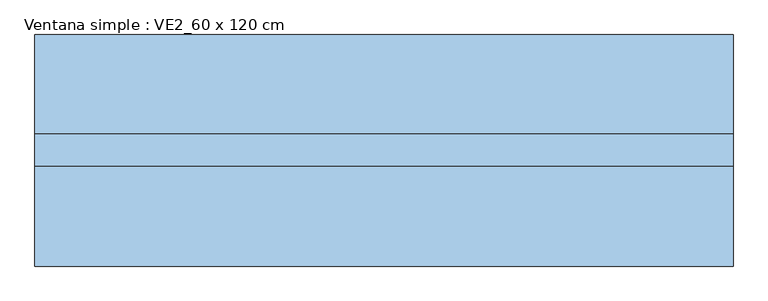
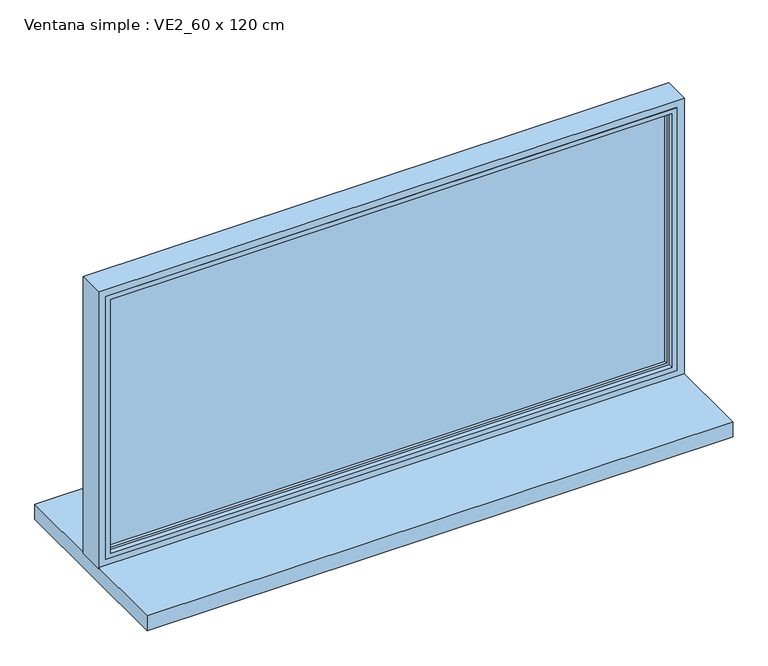
"""IFC4 building model written with IfcOpenShell, lengths in millimetres: window geometry, Ventana simple : VE2_60 x 120 cm."""

from ifc_helpers import new_model, si_unit, frame, origin, place, context, project, spatial, polyline, ellipse_curve, outline, extrude, faceted_brep, source, transform, mapped, element, save
from ifc_brep_helpers import plane_surface, cylinder_surface, advanced_brep


def ventana_simple_ve2_60_x_120_cm_a0974ed6(model_context):
    return source(origin(), model_context, "Body", "SolidModel", [
        extrude(outline(polyline([(570.0, -3.0), (-570.0, -3.0), (-570.0, 9.8627388), (570.0, 9.8627388), (570.0, -3.0)])), frame((0.0, 0.0, 930.0), z_axis=(0.0, 0.0, 1.0), x_axis=(1.0, 0.0, 0.0)), (0.0, 0.0, 1.0), 540.0),
        faceted_brep([(-585.0, -20.0, 1485.0), (-585.0, 20.0, 1485.0), (-585.0, 20.0, 915.0), (-585.0, -20.0, 915.0), (585.0, 20.0, 1485.0), (585.0, 20.0, 915.0), (-570.0, 20.0, 1470.0), (-570.0, 20.0, 930.0), (570.0, 20.0, 930.0), (570.0, 20.0, 1470.0), (585.0, -20.0, 915.0), (585.0, -20.0, 1485.0), (575.0, -20.0, 1475.0), (575.0, -20.0, 925.0), (-575.0, -20.0, 925.0), (-575.0, -20.0, 1475.0), (-575.0, -10.0, 1475.0), (-575.0, -10.0, 925.0), (575.0, -10.0, 925.0), (575.0, -10.0, 1475.0), (570.0, -10.0, 1470.0), (570.0, -10.0, 930.0), (-570.0, -10.0, 930.0), (-570.0, -10.0, 1470.0)], [[[0, 1, 2, 3]], [[4, 5, 2, 1], [6, 7, 8, 9]], [[3, 2, 5, 10]], [[0, 3, 10, 11], [12, 13, 14, 15]], [[16, 15, 14, 17]], [[17, 14, 13, 18]], [[16, 17, 18, 19], [20, 21, 22, 23]], [[6, 23, 22, 7]], [[7, 22, 21, 8]], [[10, 5, 4, 11]], [[18, 13, 12, 19]], [[8, 21, 20, 9]], [[11, 4, 1, 0]], [[19, 12, 15, 16]], [[9, 20, 23, 6]]]),
        advanced_brep(
        [(-600.0, 35.0, 1500.0), (-600.0, 35.0, 900.0), (-600.0, -20.0, 900.0), (-600.0, -20.0, 1500.0), (600.0, 35.0, 1500.0), (600.0, 35.0, 900.0), (-580.0, 35.0, 920.0), (580.0, 35.0, 920.0), (580.0, 35.0, 1480.0), (-580.0, 35.0, 1480.0), (600.0, -20.0, 900.0), (600.0, -20.0, 1500.0), (-585.0, -20.0, 1485.0), (585.0, -20.0, 1485.0), (585.0, -20.0, 915.0), (-585.0, -20.0, 915.0), (-585.0, 20.0, 1485.0), (-585.0, 20.0, 915.0), (585.0, 20.0, 915.0), (585.0, 20.0, 1485.0), (-575.0, 20.0, 1475.0), (575.0, 20.0, 1475.0), (575.0, 20.0, 925.0), (-575.0, 20.0, 925.0), (-575.0, 30.0, 1475.0), (-575.0, 30.0, 925.0), (575.0, 30.0, 925.0), (575.0, 30.0, 1475.0)],
        [
            (0, 1),
            (1, 2),
            (2, 3),
            (3, 0),
            (0, 4),
            (4, 5),
            (5, 1),
            (6, 7),
            (7, 8),
            (8, 9),
            (9, 6),
            (5, 10),
            (10, 2),
            (10, 11),
            (11, 3),
            (12, 13),
            (13, 14),
            (14, 15),
            (15, 12),
            (16, 12),
            (15, 17),
            (17, 16),
            (14, 18),
            (18, 17),
            (18, 19),
            (19, 16),
            (20, 21),
            (21, 22),
            (22, 23),
            (23, 20),
            (24, 20),
            (23, 25),
            (25, 24),
            (22, 26),
            (26, 25),
            (9, 24, ellipse_curve(frame((-580.0, 30.0, 1480.0), z_axis=(-0.7071067811865475, 0.0, -0.7071067811865475), x_axis=(-0.7071067811865474, 0.0, 0.7071067811865476)), 7.0710678, 5.0)),
            (25, 6, ellipse_curve(frame((-580.0, 30.0, 920.0), z_axis=(-0.7071067811865475, 0.0, 0.7071067811865475), x_axis=(0.7071067811865474, 0.0, 0.7071067811865476)), 7.0710678, 5.0)),
            (26, 7, ellipse_curve(frame((580.0, 30.0, 920.0), z_axis=(-0.7071067811865475, 0.0, -0.7071067811865475), x_axis=(-0.7071067811865476, 0.0, 0.7071067811865474)), 7.0710678, 5.0)),
            (4, 11),
            (13, 19),
            (21, 27),
            (27, 26),
            (27, 8, ellipse_curve(frame((580.0, 30.0, 1480.0), z_axis=(0.7071067811865475, 0.0, -0.7071067811865475), x_axis=(-0.7071067811865474, 0.0, -0.7071067811865476)), 7.0710678, 5.0)),
            (24, 27),
        ],
        [
            plane_surface(frame((-600.0, 0.0, 1500.0), z_axis=(-1.0, 0.0, 0.0), x_axis=(0.0, 0.0, -1.0))),
            plane_surface(frame((580.0, 35.0, 1480.0), z_axis=(0.0, 1.0, 0.0), x_axis=(-1.0, 0.0, 0.0))),
            plane_surface(frame((-600.0, 0.0, 900.0), z_axis=(0.0, 0.0, -1.0), x_axis=(1.0, 0.0, 0.0))),
            plane_surface(frame((600.0, -20.0, 1500.0), z_axis=(0.0, -1.0, 0.0), x_axis=(-1.0, 0.0, 0.0))),
            plane_surface(frame((-585.0, -20.0, 1485.0), z_axis=(1.0, 0.0, 0.0), x_axis=(0.0, 0.0, -1.0))),
            plane_surface(frame((-585.0, -20.0, 915.0), z_axis=(0.0, 0.0, 1.0), x_axis=(1.0, 0.0, 0.0))),
            plane_surface(frame((585.0, 20.0, 1485.0), z_axis=(0.0, -1.0, 0.0), x_axis=(-1.0, 0.0, 0.0))),
            plane_surface(frame((-575.0, 20.0, 1475.0), z_axis=(1.0, 0.0, 0.0), x_axis=(0.0, 0.0, -1.0))),
            plane_surface(frame((-575.0, 20.0, 925.0), z_axis=(0.0, 0.0, 1.0), x_axis=(1.0, 0.0, 0.0))),
            cylinder_surface(frame((-580.0, 30.0, 1500.0), z_axis=(0.0, 0.0, 1.0), x_axis=(1.0, 0.0, 0.0)), 5.0),
            cylinder_surface(frame((-600.0, 30.0, 920.0), z_axis=(-1.0, 0.0, 0.0), x_axis=(0.0, 0.0, 1.0)), 5.0),
            plane_surface(frame((600.0, 0.0, 900.0), z_axis=(1.0, 0.0, 0.0), x_axis=(0.0, 0.0, 1.0))),
            plane_surface(frame((585.0, -20.0, 915.0), z_axis=(-1.0, 0.0, 0.0), x_axis=(0.0, 0.0, 1.0))),
            plane_surface(frame((575.0, 20.0, 925.0), z_axis=(-1.0, 0.0, 0.0), x_axis=(0.0, 0.0, 1.0))),
            cylinder_surface(frame((580.0, 30.0, 900.0), z_axis=(0.0, 0.0, -1.0), x_axis=(-1.0, 0.0, 0.0)), 5.0),
            plane_surface(frame((600.0, 0.0, 1500.0), z_axis=(0.0, 0.0, 1.0), x_axis=(-1.0, 0.0, 0.0))),
            plane_surface(frame((585.0, -20.0, 1485.0), z_axis=(0.0, 0.0, -1.0), x_axis=(-1.0, 0.0, 0.0))),
            plane_surface(frame((575.0, 20.0, 1475.0), z_axis=(0.0, 0.0, -1.0), x_axis=(-1.0, 0.0, 0.0))),
            cylinder_surface(frame((600.0, 30.0, 1480.0), z_axis=(1.0, 0.0, 0.0), x_axis=(0.0, 0.0, -1.0)), 5.0),
        ],
        [
            (0, [[1, 2, 3, 4]]),
            (1, [[5, 6, 7, -1], [8, 9, 10, 11]]),
            (2, [[-2, -7, 12, 13]]),
            (3, [[-13, 14, 15, -3], [16, 17, 18, 19]]),
            (4, [[20, -19, 21, 22]]),
            (5, [[-21, -18, 23, 24]]),
            (6, [[-24, 25, 26, -22], [27, 28, 29, 30]]),
            (7, [[31, -30, 32, 33]]),
            (8, [[-32, -29, 34, 35]]),
            (9, [[36, -33, 37, -11]]),
            (10, [[-37, -35, 38, -8]]),
            (11, [[-12, -6, 39, -14]]),
            (12, [[-23, -17, 40, -25]]),
            (13, [[-34, -28, 41, 42]]),
            (14, [[-38, -42, 43, -9]]),
            (15, [[-39, -5, -4, -15]]),
            (16, [[-40, -16, -20, -26]]),
            (17, [[-41, -27, -31, 44]]),
            (18, [[-43, -44, -36, -10]]),
        ],
    ),
        extrude(outline(polyline([(600.0, -192.1372612), (-600.0, -192.1372612), (-600.0, 205.8627388), (600.0, 205.8627388), (600.0, -192.1372612)])), frame((0.0, 0.0, 870.0), z_axis=(0.0, 0.0, 1.0), x_axis=(1.0, 0.0, 0.0)), (0.0, 0.0, 1.0), 33.0),
    ])


if __name__ == "__main__":
    model = new_model("IFC4")
    model_context = context("Model", 3, world=origin())
    ifc_project = project(units=[si_unit("LENGTHUNIT", "METRE", prefix="MILLI")], contexts=[model_context])
    site = spatial("IfcSite", under=ifc_project)
    building = spatial("IfcBuilding", under=site)
    placement = place(None, origin())
    ventana_simple_ve2_60_x_120_cm_shape = ventana_simple_ve2_60_x_120_cm_a0974ed6(model_context)
    element("IfcWindow", 1, ObjectType="Ventana simple : VE2_60 x 120 cm", at=placement, inside=building, context=model_context, shape_type="MappedRepresentation", body=[
        mapped(ventana_simple_ve2_60_x_120_cm_shape, transform((0.0, 0.0, 0.0), x_axis=(1.0, 0.0, 0.0), y_axis=(0.0, 1.0, 0.0), z_axis=(0.0, 0.0, 1.0))),
    ])
    save(model, "model.ifc")
